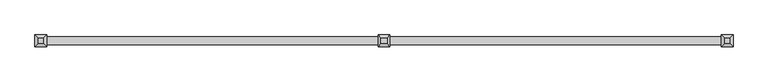
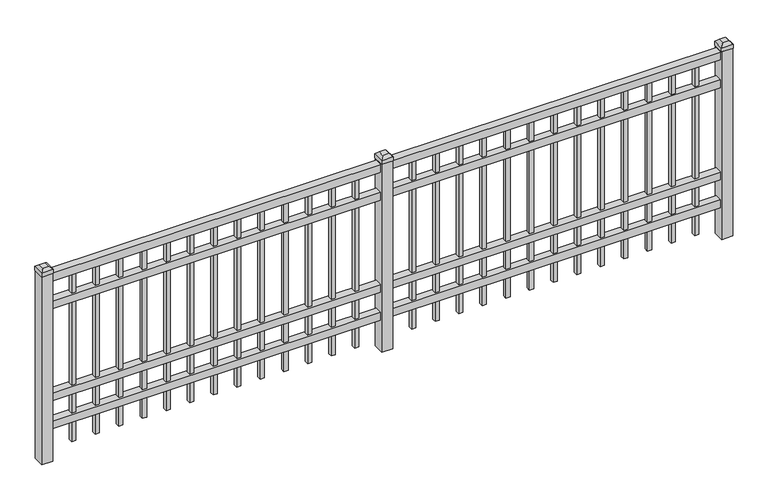
"""IFC4 building model written with IfcOpenShell, lengths in millimetres: railing geometry."""

from ifc_helpers import new_model, si_unit, frame, origin, place, context, project, spatial, polyline, outline, extrude, faceted_brep, source, transform, mapped, element, save


def railing_edeada97(model_context):
    return source(origin(), model_context, "Body", "SolidModel", [
        extrude(outline(polyline([(-950.8050134, 7020.1574518), (-950.8050134, 7055.0824518), (2198.7949866, 7055.0824518), (2198.7949866, 7020.1574518), (-950.8050134, 7020.1574518)])), frame((0.0, 0.0, 13068.3), z_axis=(0.0, 0.0, 1.0), x_axis=(1.0, 0.0, 0.0)), (0.0, 0.0, 1.0), 38.1),
        extrude(outline(polyline([(-950.8050134, 7020.1574518), (-950.8050134, 7055.0824518), (2198.7949866, 7055.0824518), (2198.7949866, 7020.1574518), (-950.8050134, 7020.1574518)])), frame((0.0, 0.0, 12931.775), z_axis=(0.0, 0.0, 1.0), x_axis=(1.0, 0.0, 0.0)), (0.0, 0.0, 1.0), 38.1),
        extrude(outline(polyline([(-950.8050134, 7020.1574518), (-950.8050134, 7055.0824518), (2198.7949866, 7055.0824518), (2198.7949866, 7020.1574518), (-950.8050134, 7020.1574518)])), frame((0.0, 0.0, 12480.925), z_axis=(0.0, 0.0, 1.0), x_axis=(1.0, 0.0, 0.0)), (0.0, 0.0, 1.0), 38.1),
        extrude(outline(polyline([(-950.8050134, 7020.1574518), (-950.8050134, 7055.0824518), (2198.7949866, 7055.0824518), (2198.7949866, 7020.1574518), (-950.8050134, 7020.1574518)])), frame((0.0, 0.0, 12344.4), z_axis=(0.0, 0.0, 1.0), x_axis=(1.0, 0.0, 0.0)), (0.0, 0.0, 1.0), 38.1),
        extrude(outline(polyline([(1967.28457, 7047.1449518), (1967.28457, 7028.0949518), (1948.23457, 7028.0949518), (1948.23457, 7047.1449518), (1967.28457, 7047.1449518)])), frame((0.0, 0.0, 12242.8), z_axis=(0.0, 0.0, 1.0), x_axis=(1.0, 0.0, 0.0)), (0.0, 0.0, 1.0), 825.5),
        extrude(outline(polyline([(1858.0116533, 7047.1449518), (1858.0116533, 7028.0949518), (1838.9616533, 7028.0949518), (1838.9616533, 7047.1449518), (1858.0116533, 7047.1449518)])), frame((0.0, 0.0, 12242.8), z_axis=(0.0, 0.0, 1.0), x_axis=(1.0, 0.0, 0.0)), (0.0, 0.0, 1.0), 825.5),
        extrude(outline(polyline([(1748.7387366, 7047.1449518), (1748.7387366, 7028.0949518), (1729.6887366, 7028.0949518), (1729.6887366, 7047.1449518), (1748.7387366, 7047.1449518)])), frame((0.0, 0.0, 12242.8), z_axis=(0.0, 0.0, 1.0), x_axis=(1.0, 0.0, 0.0)), (0.0, 0.0, 1.0), 825.5),
        extrude(outline(polyline([(1639.46582, 7047.1449518), (1639.46582, 7028.0949518), (1620.41582, 7028.0949518), (1620.41582, 7047.1449518), (1639.46582, 7047.1449518)])), frame((0.0, 0.0, 12242.8), z_axis=(0.0, 0.0, 1.0), x_axis=(1.0, 0.0, 0.0)), (0.0, 0.0, 1.0), 825.5),
        extrude(outline(polyline([(1530.1929033, 7047.1449518), (1530.1929033, 7028.0949518), (1511.1429033, 7028.0949518), (1511.1429033, 7047.1449518), (1530.1929033, 7047.1449518)])), frame((0.0, 0.0, 12242.8), z_axis=(0.0, 0.0, 1.0), x_axis=(1.0, 0.0, 0.0)), (0.0, 0.0, 1.0), 825.5),
        extrude(outline(polyline([(1420.9199866, 7047.1449518), (1420.9199866, 7028.0949518), (1401.8699866, 7028.0949518), (1401.8699866, 7047.1449518), (1420.9199866, 7047.1449518)])), frame((0.0, 0.0, 12242.8), z_axis=(0.0, 0.0, 1.0), x_axis=(1.0, 0.0, 0.0)), (0.0, 0.0, 1.0), 825.5),
        extrude(outline(polyline([(1311.64707, 7047.1449518), (1311.64707, 7028.0949518), (1292.59707, 7028.0949518), (1292.59707, 7047.1449518), (1311.64707, 7047.1449518)])), frame((0.0, 0.0, 12242.8), z_axis=(0.0, 0.0, 1.0), x_axis=(1.0, 0.0, 0.0)), (0.0, 0.0, 1.0), 825.5),
        extrude(outline(polyline([(1202.3741533, 7047.1449518), (1202.3741533, 7028.0949518), (1183.3241533, 7028.0949518), (1183.3241533, 7047.1449518), (1202.3741533, 7047.1449518)])), frame((0.0, 0.0, 12242.8), z_axis=(0.0, 0.0, 1.0), x_axis=(1.0, 0.0, 0.0)), (0.0, 0.0, 1.0), 825.5),
        extrude(outline(polyline([(1093.1012366, 7047.1449518), (1093.1012366, 7028.0949518), (1074.0512366, 7028.0949518), (1074.0512366, 7047.1449518), (1093.1012366, 7047.1449518)])), frame((0.0, 0.0, 12242.8), z_axis=(0.0, 0.0, 1.0), x_axis=(1.0, 0.0, 0.0)), (0.0, 0.0, 1.0), 825.5),
        extrude(outline(polyline([(983.82832, 7047.1449518), (983.82832, 7028.0949518), (964.77832, 7028.0949518), (964.77832, 7047.1449518), (983.82832, 7047.1449518)])), frame((0.0, 0.0, 12242.8), z_axis=(0.0, 0.0, 1.0), x_axis=(1.0, 0.0, 0.0)), (0.0, 0.0, 1.0), 825.5),
        extrude(outline(polyline([(874.5554033, 7047.1449518), (874.5554033, 7028.0949518), (855.5054033, 7028.0949518), (855.5054033, 7047.1449518), (874.5554033, 7047.1449518)])), frame((0.0, 0.0, 12242.8), z_axis=(0.0, 0.0, 1.0), x_axis=(1.0, 0.0, 0.0)), (0.0, 0.0, 1.0), 825.5),
        extrude(outline(polyline([(2076.5574866, 7047.1449518), (2076.5574866, 7028.0949518), (2057.5074866, 7028.0949518), (2057.5074866, 7047.1449518), (2076.5574866, 7047.1449518)])), frame((0.0, 0.0, 12242.8), z_axis=(0.0, 0.0, 1.0), x_axis=(1.0, 0.0, 0.0)), (0.0, 0.0, 1.0), 825.5),
        extrude(outline(polyline([(765.2824866, 7047.1449518), (765.2824866, 7028.0949518), (746.2324866, 7028.0949518), (746.2324866, 7047.1449518), (765.2824866, 7047.1449518)])), frame((0.0, 0.0, 12242.8), z_axis=(0.0, 0.0, 1.0), x_axis=(1.0, 0.0, 0.0)), (0.0, 0.0, 1.0), 825.5),
        faceted_brep([(597.0074866, 7064.6074518, 13131.8), (597.0074866, 7064.6074518, 13112.75), (597.0074866, 7010.6324518, 13112.75), (597.0074866, 7010.6324518, 13131.8), (609.7074866, 7051.9074518, 13144.5), (609.7074866, 7023.3324518, 13144.5), (650.9824866, 7010.6324518, 13112.75), (650.9824866, 7010.6324518, 13131.8), (638.2824866, 7023.3324518, 13144.5), (650.9824866, 7064.6074518, 13112.75), (650.9824866, 7064.6074518, 13131.8), (638.2824866, 7051.9074518, 13144.5)], [[[0, 1, 2, 3]], [[4, 0, 3, 5]], [[3, 2, 6, 7]], [[5, 3, 7, 8]], [[7, 6, 9, 10]], [[8, 7, 10, 11]], [[10, 9, 1, 0]], [[11, 10, 0, 4]], [[5, 8, 11, 4]], [[1, 9, 6, 2]]]),
        extrude(outline(polyline([(649.3949866, 7063.0199518), (649.3949866, 7012.2199518), (598.5949866, 7012.2199518), (598.5949866, 7063.0199518), (649.3949866, 7063.0199518)])), frame((0.0, 0.0, 12192.0), z_axis=(0.0, 0.0, 1.0), x_axis=(1.0, 0.0, 0.0)), (0.0, 0.0, 1.0), 920.75),
        extrude(outline(polyline([(392.48457, 7047.1449518), (392.48457, 7028.0949518), (373.43457, 7028.0949518), (373.43457, 7047.1449518), (392.48457, 7047.1449518)])), frame((0.0, 0.0, 12242.8), z_axis=(0.0, 0.0, 1.0), x_axis=(1.0, 0.0, 0.0)), (0.0, 0.0, 1.0), 825.5),
        extrude(outline(polyline([(283.2116533, 7047.1449518), (283.2116533, 7028.0949518), (264.1616533, 7028.0949518), (264.1616533, 7047.1449518), (283.2116533, 7047.1449518)])), frame((0.0, 0.0, 12242.8), z_axis=(0.0, 0.0, 1.0), x_axis=(1.0, 0.0, 0.0)), (0.0, 0.0, 1.0), 825.5),
        extrude(outline(polyline([(173.9387366, 7047.1449518), (173.9387366, 7028.0949518), (154.8887366, 7028.0949518), (154.8887366, 7047.1449518), (173.9387366, 7047.1449518)])), frame((0.0, 0.0, 12242.8), z_axis=(0.0, 0.0, 1.0), x_axis=(1.0, 0.0, 0.0)), (0.0, 0.0, 1.0), 825.5),
        extrude(outline(polyline([(64.66582, 7047.1449518), (64.66582, 7028.0949518), (45.61582, 7028.0949518), (45.61582, 7047.1449518), (64.66582, 7047.1449518)])), frame((0.0, 0.0, 12242.8), z_axis=(0.0, 0.0, 1.0), x_axis=(1.0, 0.0, 0.0)), (0.0, 0.0, 1.0), 825.5),
        extrude(outline(polyline([(-44.6070967, 7047.1449518), (-44.6070967, 7028.0949518), (-63.6570967, 7028.0949518), (-63.6570967, 7047.1449518), (-44.6070967, 7047.1449518)])), frame((0.0, 0.0, 12242.8), z_axis=(0.0, 0.0, 1.0), x_axis=(1.0, 0.0, 0.0)), (0.0, 0.0, 1.0), 825.5),
        extrude(outline(polyline([(-153.8800134, 7047.1449518), (-153.8800134, 7028.0949518), (-172.9300134, 7028.0949518), (-172.9300134, 7047.1449518), (-153.8800134, 7047.1449518)])), frame((0.0, 0.0, 12242.8), z_axis=(0.0, 0.0, 1.0), x_axis=(1.0, 0.0, 0.0)), (0.0, 0.0, 1.0), 825.5),
        extrude(outline(polyline([(-263.15293, 7047.1449518), (-263.15293, 7028.0949518), (-282.20293, 7028.0949518), (-282.20293, 7047.1449518), (-263.15293, 7047.1449518)])), frame((0.0, 0.0, 12242.8), z_axis=(0.0, 0.0, 1.0), x_axis=(1.0, 0.0, 0.0)), (0.0, 0.0, 1.0), 825.5),
        extrude(outline(polyline([(-372.4258467, 7047.1449518), (-372.4258467, 7028.0949518), (-391.4758467, 7028.0949518), (-391.4758467, 7047.1449518), (-372.4258467, 7047.1449518)])), frame((0.0, 0.0, 12242.8), z_axis=(0.0, 0.0, 1.0), x_axis=(1.0, 0.0, 0.0)), (0.0, 0.0, 1.0), 825.5),
        extrude(outline(polyline([(-481.6987634, 7047.1449518), (-481.6987634, 7028.0949518), (-500.7487634, 7028.0949518), (-500.7487634, 7047.1449518), (-481.6987634, 7047.1449518)])), frame((0.0, 0.0, 12242.8), z_axis=(0.0, 0.0, 1.0), x_axis=(1.0, 0.0, 0.0)), (0.0, 0.0, 1.0), 825.5),
        extrude(outline(polyline([(-590.97168, 7047.1449518), (-590.97168, 7028.0949518), (-610.02168, 7028.0949518), (-610.02168, 7047.1449518), (-590.97168, 7047.1449518)])), frame((0.0, 0.0, 12242.8), z_axis=(0.0, 0.0, 1.0), x_axis=(1.0, 0.0, 0.0)), (0.0, 0.0, 1.0), 825.5),
        extrude(outline(polyline([(-700.2445967, 7047.1449518), (-700.2445967, 7028.0949518), (-719.2945967, 7028.0949518), (-719.2945967, 7047.1449518), (-700.2445967, 7047.1449518)])), frame((0.0, 0.0, 12242.8), z_axis=(0.0, 0.0, 1.0), x_axis=(1.0, 0.0, 0.0)), (0.0, 0.0, 1.0), 825.5),
        extrude(outline(polyline([(501.7574866, 7047.1449518), (501.7574866, 7028.0949518), (482.7074866, 7028.0949518), (482.7074866, 7047.1449518), (501.7574866, 7047.1449518)])), frame((0.0, 0.0, 12242.8), z_axis=(0.0, 0.0, 1.0), x_axis=(1.0, 0.0, 0.0)), (0.0, 0.0, 1.0), 825.5),
        extrude(outline(polyline([(-809.5175134, 7047.1449518), (-809.5175134, 7028.0949518), (-828.5675134, 7028.0949518), (-828.5675134, 7047.1449518), (-809.5175134, 7047.1449518)])), frame((0.0, 0.0, 12242.8), z_axis=(0.0, 0.0, 1.0), x_axis=(1.0, 0.0, 0.0)), (0.0, 0.0, 1.0), 825.5),
        faceted_brep([(2171.8074866, 7064.6074518, 13131.8), (2171.8074866, 7064.6074518, 13112.75), (2171.8074866, 7010.6324518, 13112.75), (2171.8074866, 7010.6324518, 13131.8), (2184.5074866, 7051.9074518, 13144.5), (2184.5074866, 7023.3324518, 13144.5), (2225.7824866, 7010.6324518, 13112.75), (2225.7824866, 7010.6324518, 13131.8), (2213.0824866, 7023.3324518, 13144.5), (2225.7824866, 7064.6074518, 13112.75), (2225.7824866, 7064.6074518, 13131.8), (2213.0824866, 7051.9074518, 13144.5)], [[[0, 1, 2, 3]], [[4, 0, 3, 5]], [[3, 2, 6, 7]], [[5, 3, 7, 8]], [[7, 6, 9, 10]], [[8, 7, 10, 11]], [[10, 9, 1, 0]], [[11, 10, 0, 4]], [[5, 8, 11, 4]], [[1, 9, 6, 2]]]),
        extrude(outline(polyline([(2224.1949866, 7063.0199518), (2224.1949866, 7012.2199518), (2173.3949866, 7012.2199518), (2173.3949866, 7063.0199518), (2224.1949866, 7063.0199518)])), frame((0.0, 0.0, 12192.0), z_axis=(0.0, 0.0, 1.0), x_axis=(1.0, 0.0, 0.0)), (0.0, 0.0, 1.0), 920.75),
        faceted_brep([(-977.7925134, 7064.6074518, 13131.8), (-977.7925134, 7064.6074518, 13112.75), (-977.7925134, 7010.6324518, 13112.75), (-977.7925134, 7010.6324518, 13131.8), (-965.0925134, 7051.9074518, 13144.5), (-965.0925134, 7023.3324518, 13144.5), (-923.8175134, 7010.6324518, 13112.75), (-923.8175134, 7010.6324518, 13131.8), (-936.5175134, 7023.3324518, 13144.5), (-923.8175134, 7064.6074518, 13112.75), (-923.8175134, 7064.6074518, 13131.8), (-936.5175134, 7051.9074518, 13144.5)], [[[0, 1, 2, 3]], [[4, 0, 3, 5]], [[3, 2, 6, 7]], [[5, 3, 7, 8]], [[7, 6, 9, 10]], [[8, 7, 10, 11]], [[10, 9, 1, 0]], [[11, 10, 0, 4]], [[5, 8, 11, 4]], [[1, 9, 6, 2]]]),
        extrude(outline(polyline([(-925.4050134, 7063.0199518), (-925.4050134, 7012.2199518), (-976.2050134, 7012.2199518), (-976.2050134, 7063.0199518), (-925.4050134, 7063.0199518)])), frame((0.0, 0.0, 12192.0), z_axis=(0.0, 0.0, 1.0), x_axis=(1.0, 0.0, 0.0)), (0.0, 0.0, 1.0), 920.75),
    ])


if __name__ == "__main__":
    model = new_model("IFC4")
    model_context = context("Model", 3, world=origin())
    ifc_project = project(units=[si_unit("LENGTHUNIT", "METRE", prefix="MILLI")], contexts=[model_context])
    site = spatial("IfcSite", under=ifc_project)
    building = spatial("IfcBuilding", under=site)
    placement = place(None, origin())
    railing_shape = railing_edeada97(model_context)
    element("IfcRailing", 1, at=placement, inside=building, context=model_context, shape_type="MappedRepresentation", body=[
        mapped(railing_shape, transform((0.0, 0.0, 0.0), x_axis=(1.0, 0.0, 0.0), y_axis=(0.0, 1.0, 0.0), z_axis=(0.0, 0.0, 1.0))),
    ])
    save(model, "model.ifc")
